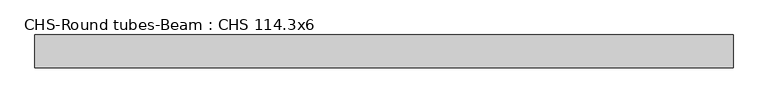
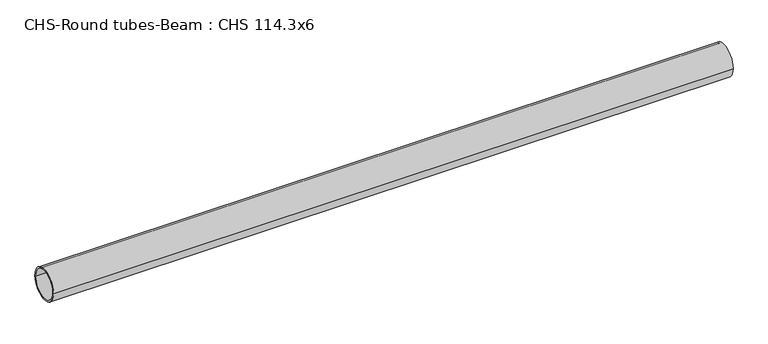
"""IFC4 building model written with IfcOpenShell, lengths in millimetres: beam geometry, CHS-Round tubes-Beam : CHS 114.3x6."""

from ifc_helpers import new_model, si_unit, point, frame, origin, origin_2d, place, context, project, spatial, circle_curve, trimmed, segment, composite_curve, outline, extrude, source, transform, mapped, element, save


def chs_round_tubes_beam_chs_114_3x6_2ec55bbc(model_context):
    return source(origin(), model_context, "Body", "SweptSolid", [
        extrude(outline(composite_curve([segment(trimmed(circle_curve(origin_2d(), 57.15), [point((57.15, 0.0))], [point((-57.15, 0.0))], False, "CARTESIAN"), True, "CONTINUOUS"), segment(trimmed(circle_curve(origin_2d(), 57.15), [point((-57.15, 0.0))], [point((57.15, 0.0))], False, "CARTESIAN"), True, "CONTINUOUS")], self_intersect=False), holes=[composite_curve([segment(trimmed(circle_curve(origin_2d(), 51.15), [point((51.15, 0.0))], [point((-51.15, 0.0))], True, "CARTESIAN"), True, "CONTINUOUS"), segment(trimmed(circle_curve(origin_2d(), 51.15), [point((-51.15, 0.0))], [point((51.15, 0.0))], True, "CARTESIAN"), True, "CONTINUOUS")], self_intersect=False)]), frame((-1200.0672799, 0.0, 0.0), z_axis=(1.0, 0.0, 0.0), x_axis=(0.0, 1.0, 0.0)), (0.0, 0.0, 1.0), 2419.4539388),
    ])


if __name__ == "__main__":
    model = new_model("IFC4")
    model_context = context("Model", 3, world=origin())
    ifc_project = project(units=[si_unit("LENGTHUNIT", "METRE", prefix="MILLI")], contexts=[model_context])
    site = spatial("IfcSite", under=ifc_project)
    building = spatial("IfcBuilding", under=site)
    placement = place(None, origin())
    chs_round_tubes_beam_chs_114_3x6_shape = chs_round_tubes_beam_chs_114_3x6_2ec55bbc(model_context)
    element("IfcBeam", 1, ObjectType="CHS-Round tubes-Beam : CHS 114.3x6", at=placement, inside=building, context=model_context, shape_type="MappedRepresentation", body=[
        mapped(chs_round_tubes_beam_chs_114_3x6_shape, transform((0.0, 0.0, 0.0), x_axis=(1.0, 0.0, 0.0), y_axis=(0.0, 1.0, 0.0), z_axis=(0.0, 0.0, 1.0))),
    ])
    save(model, "model.ifc")
